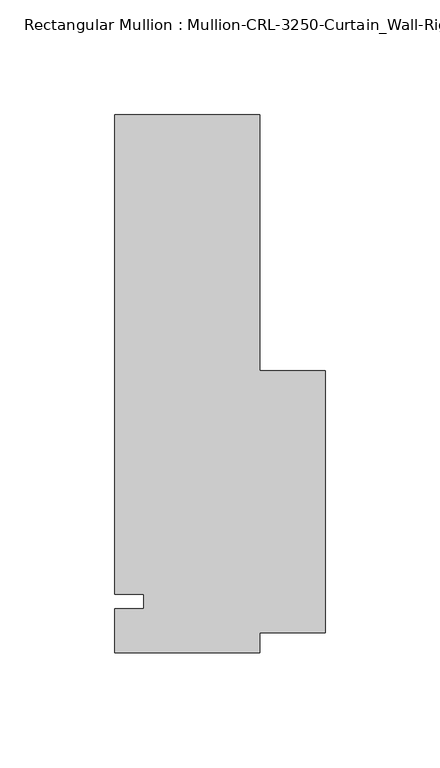
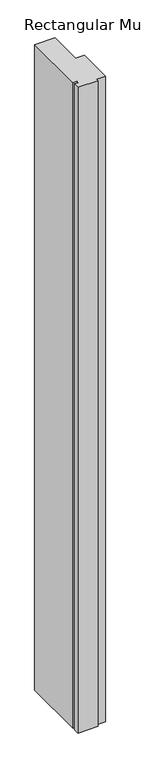
"""IFC4 building model written with IfcOpenShell, lengths in millimetres: member geometry."""

from ifc_helpers import new_model, si_unit, frame, origin, place, context, project, spatial, polyline, outline, extrude, source, transform, mapped, element, save


def member_e0323571(model_context):
    return source(origin(), model_context, "Body", "SweptSolid", [
        extrude(outline(polyline([(-31.7499985, -3.175), (-19.0499985, -3.175), (-19.0499985, 3.175), (-31.7499985, 3.175), (-31.7499985, 212.7246169), (31.7499985, 212.7246169), (31.7499985, 100.8118372), (60.326855, 100.8118372), (60.326855, -13.4880538), (31.7499985, -13.4880538), (31.7499985, -22.2254168), (-31.7499985, -22.2254168), (-31.7499985, -3.175)])), frame((0.0, 0.0, -2146.3000015), z_axis=(0.0, 0.0, 1.0), x_axis=(1.0, 0.0, 0.0)), (0.0, 0.0, 1.0), 2146.3000015),
    ])


if __name__ == "__main__":
    model = new_model("IFC4")
    model_context = context("Model", 3, world=origin())
    ifc_project = project(units=[si_unit("LENGTHUNIT", "METRE", prefix="MILLI")], contexts=[model_context])
    site = spatial("IfcSite", under=ifc_project)
    building = spatial("IfcBuilding", under=site)
    placement = place(None, origin())
    member_shape = member_e0323571(model_context)
    element("IfcMember", 1, ObjectType="Rectangular Mullion : Mullion-CRL-3250-Curtain_Wall-Right_Door_Jamb-8\"", at=placement, inside=building, context=model_context, shape_type="MappedRepresentation", body=[
        mapped(member_shape, transform((0.0, 0.0, 0.0), x_axis=(1.0, 0.0, 0.0), y_axis=(0.0, 1.0, 0.0), z_axis=(0.0, 0.0, 1.0))),
    ])
    save(model, "model.ifc")
